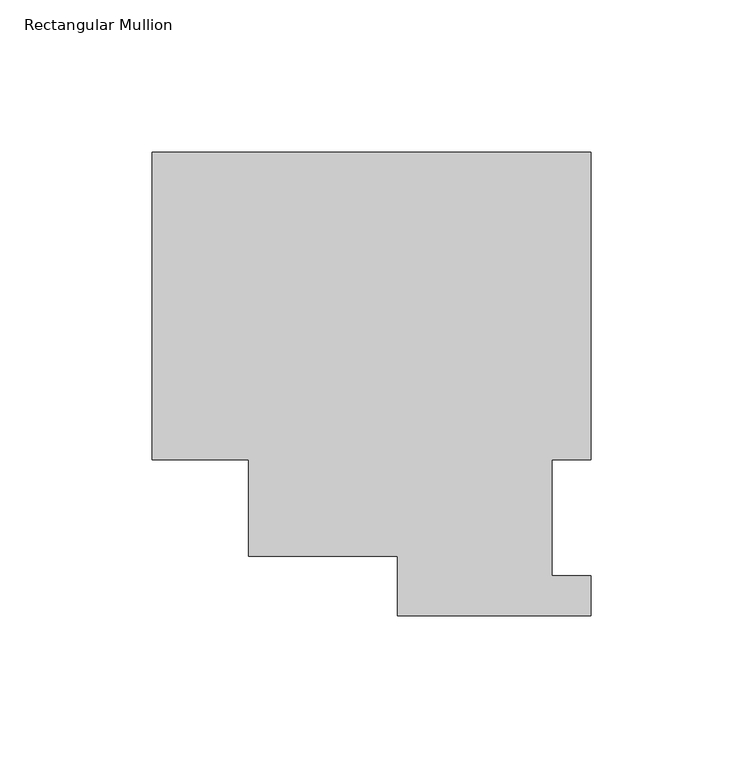
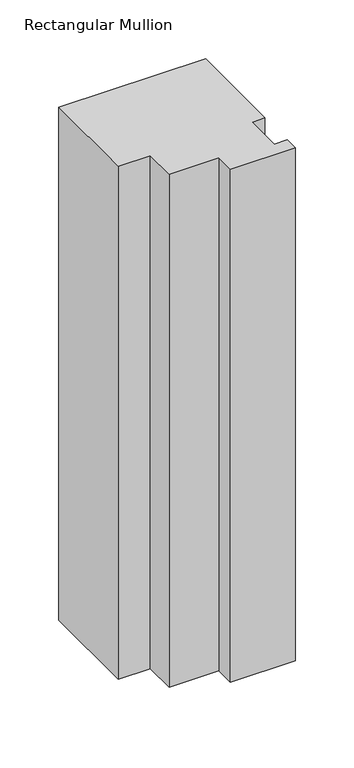
"""IFC4 building model written with IfcOpenShell, lengths in millimetres: member geometry, Rectangular Mullion."""

from ifc_helpers import new_model, si_unit, frame, origin, place, context, project, spatial, polyline, outline, extrude, source, transform, mapped, element, save


def rectangular_mullion_2473f6d8(model_context):
    return source(origin(), model_context, "Body", "SweptSolid", [
        extrude(outline(polyline([(-144.3735629, 152.4896937), (0.0127, 152.4896937), (0.0127, 51.2960937), (-12.6873, 51.2960938), (-12.6873, 13.1960937), (0.0, 13.1960937), (0.0, 0.0134937), (-63.5, 0.0134937), (-63.5, 19.5460937), (-112.6235629, 19.5460937), (-112.6235629, 51.2960937), (-144.3735629, 51.2960938), (-144.3735629, 152.4896937)])), frame((0.0, 0.0, -533.4), z_axis=(0.0, 0.0, 1.0), x_axis=(1.0, 0.0, 0.0)), (0.0, 0.0, 1.0), 533.4),
    ])


if __name__ == "__main__":
    model = new_model("IFC4")
    model_context = context("Model", 3, world=origin())
    ifc_project = project(units=[si_unit("LENGTHUNIT", "METRE", prefix="MILLI")], contexts=[model_context])
    site = spatial("IfcSite", under=ifc_project)
    building = spatial("IfcBuilding", under=site)
    placement = place(None, origin())
    rectangular_mullion_shape = rectangular_mullion_2473f6d8(model_context)
    element("IfcMember", 1, ObjectType="Rectangular Mullion", at=placement, inside=building, context=model_context, shape_type="MappedRepresentation", body=[
        mapped(rectangular_mullion_shape, transform((0.0, 0.0, 0.0), x_axis=(1.0, 0.0, 0.0), y_axis=(0.0, 1.0, 0.0), z_axis=(0.0, 0.0, 1.0))),
    ])
    save(model, "model.ifc")
